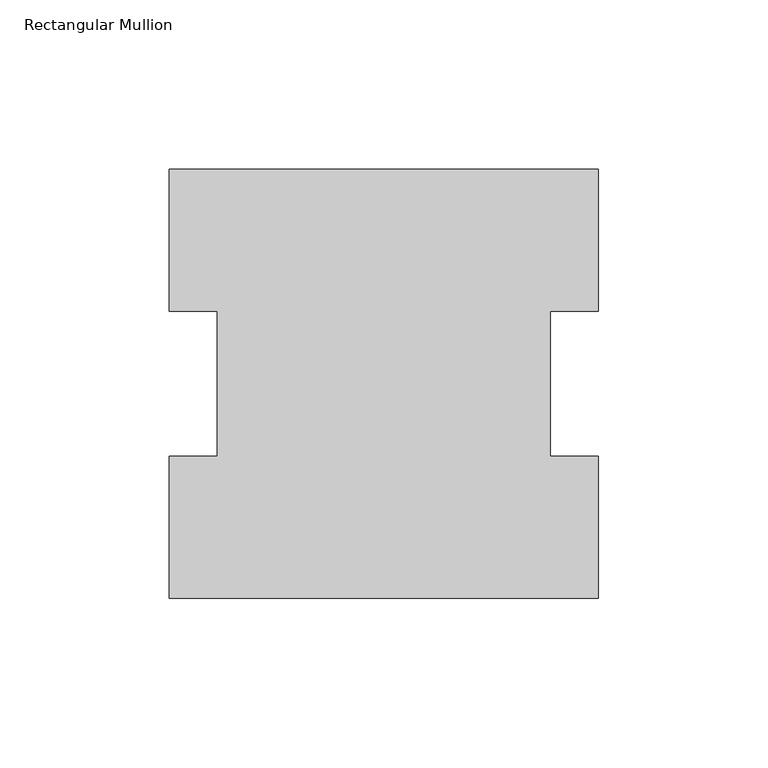
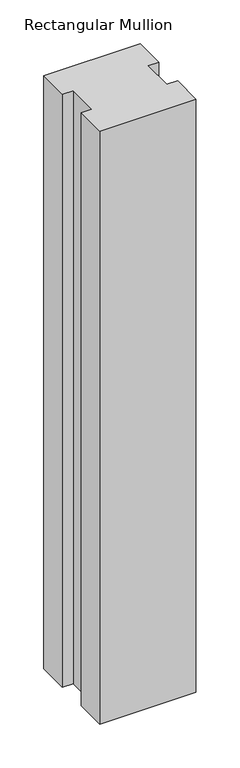
"""IFC4 building model written with IfcOpenShell, lengths in millimetres: member geometry, Rectangular Mullion."""

from ifc_helpers import new_model, si_unit, frame, origin, place, context, project, spatial, polyline, outline, extrude, source, transform, mapped, element, save


def rectangular_mullion_81decdcf(model_context):
    return source(origin(), model_context, "Body", "SweptSolid", [
        extrude(outline(polyline([(-63.5, 127.00635), (63.5, 127.00635), (63.5, 84.93125), (49.2125, 84.93125), (49.2125, 42.08145), (63.5, 42.08145), (63.5, 0.00635), (-63.5, 0.00635), (-63.5, 42.08145), (-49.2125, 42.08145), (-49.2125, 84.93125), (-63.5, 84.93125), (-63.5, 127.00635)])), frame((0.0, 0.0, -825.5227299), z_axis=(0.0, 0.0, 1.0), x_axis=(1.0, 0.0, 0.0)), (0.0, 0.0, 1.0), 825.5227299),
    ])


if __name__ == "__main__":
    model = new_model("IFC4")
    model_context = context("Model", 3, world=origin())
    ifc_project = project(units=[si_unit("LENGTHUNIT", "METRE", prefix="MILLI")], contexts=[model_context])
    site = spatial("IfcSite", under=ifc_project)
    building = spatial("IfcBuilding", under=site)
    placement = place(None, origin())
    rectangular_mullion_shape = rectangular_mullion_81decdcf(model_context)
    element("IfcMember", 1, ObjectType="Rectangular Mullion", at=placement, inside=building, context=model_context, shape_type="MappedRepresentation", body=[
        mapped(rectangular_mullion_shape, transform((0.0, 0.0, 0.0), x_axis=(1.0, 0.0, 0.0), y_axis=(0.0, 1.0, 0.0), z_axis=(0.0, 0.0, 1.0))),
    ])
    save(model, "model.ifc")
